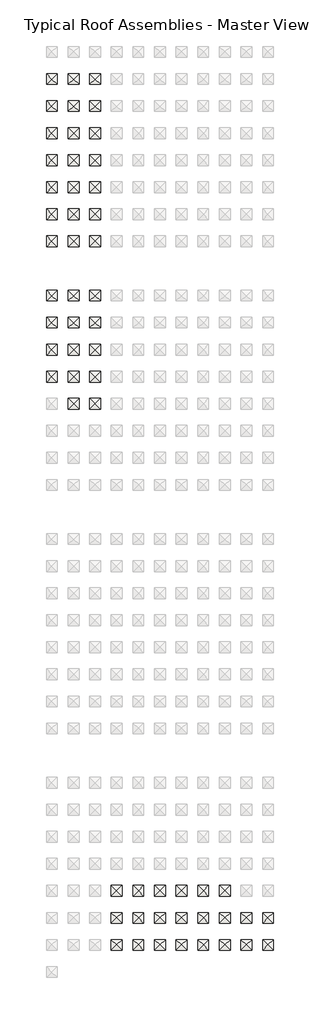
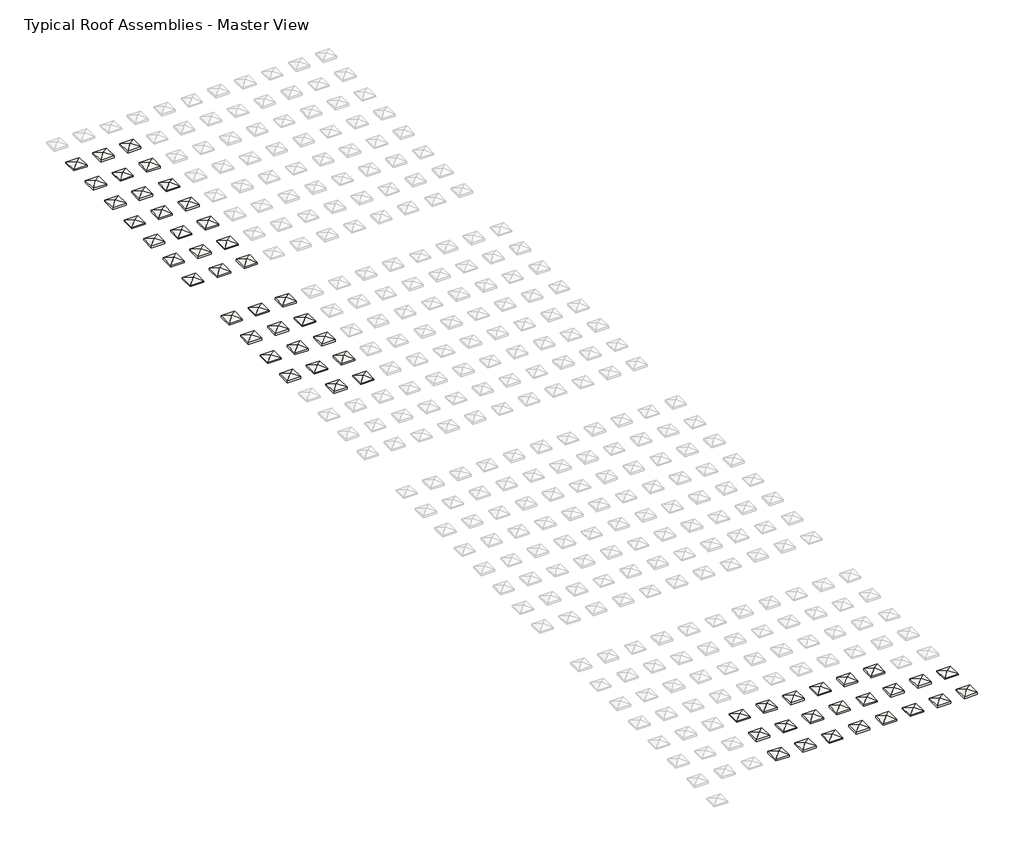
# One storey, part 2 of 6: 57 roofs.
"""IFC4 building model written with IfcOpenShell, lengths in millimetres."""

from ifc_helpers import new_model, si_unit, origin, place, context, project, spatial, faceted_brep, element, save

model = new_model("IFC4")

# Units and contexts
model_context = context("Model", 3, world=origin())
ifc_project = project(units=[si_unit("LENGTHUNIT", "METRE", prefix="MILLI")], contexts=[model_context])

# Site, building, storey
site = spatial("IfcSite", under=ifc_project)
building = spatial("IfcBuilding", under=site)
storey = spatial("IfcBuildingStorey", under=building, Name="Typical Roof Assemblies - Master View", Elevation=3048.0)

# Roofs
placement = place(None, origin())
element("IfcRoof", 1, at=placement, inside=storey, context=model_context, shape_type="Brep", body=[
    faceted_brep([(-18002.7271293, -204.4766531, 3556.0), (-16478.7271293, 1319.5233469, 3048.0), (-16478.7271293, -1728.4766531, 3048.0), (-19526.7271293, 1319.5233469, 3048.0), (-19526.7271293, -1728.4766531, 3048.0), (-16478.7271293, 1319.5233469, 3304.0928432), (-18002.7271293, -204.4766531, 3812.0928432), (-16478.7271293, -1728.4766531, 3304.0928432), (-19526.7271293, 1319.5233469, 3304.0928432), (-19526.7271293, -1728.4766531, 3304.0928432)], [[[0, 1, 2]], [[3, 0, 4]], [[1, 0, 3]], [[4, 0, 2]], [[5, 6, 7]], [[8, 9, 6]], [[5, 8, 6]], [[9, 7, 6]], [[3, 8, 5, 1]], [[4, 9, 8, 3]], [[2, 7, 9, 4]], [[1, 5, 7, 2]]]),
])
element("IfcRoof", 2, at=placement, inside=storey, context=model_context, shape_type="Brep", body=[
    faceted_brep([(-11906.7271293, -204.4766531, 3556.0), (-10382.7271293, 1319.5233469, 3048.0), (-10382.7271293, -1728.4766531, 3048.0), (-13430.7271293, 1319.5233469, 3048.0), (-13430.7271293, -1728.4766531, 3048.0), (-10382.7271293, 1319.5233469, 3479.7299585), (-11906.7271293, -204.4766531, 3987.7299585), (-10382.7271293, -1728.4766531, 3479.7299585), (-13430.7271293, 1319.5233469, 3479.7299585), (-13430.7271293, -1728.4766531, 3479.7299585)], [[[0, 1, 2]], [[3, 0, 4]], [[1, 0, 3]], [[4, 0, 2]], [[5, 6, 7]], [[8, 9, 6]], [[5, 8, 6]], [[9, 7, 6]], [[3, 8, 5, 1]], [[4, 9, 8, 3]], [[2, 7, 9, 4]], [[1, 5, 7, 2]]]),
])
element("IfcRoof", 3, at=placement, inside=storey, context=model_context, shape_type="Brep", body=[
    faceted_brep([(-5810.7271293, -204.4766531, 3556.0), (-4286.7271293, 1319.5233469, 3048.0), (-4286.7271293, -1728.4766531, 3048.0), (-7334.7271293, 1319.5233469, 3048.0), (-7334.7271293, -1728.4766531, 3048.0), (-4286.7271293, 1319.5233469, 3476.3832082), (-5810.7271293, -204.4766531, 3984.3832082), (-4286.7271293, -1728.4766531, 3476.3832082), (-7334.7271293, 1319.5233469, 3476.3832082), (-7334.7271293, -1728.4766531, 3476.3832082)], [[[0, 1, 2]], [[3, 0, 4]], [[1, 0, 3]], [[4, 0, 2]], [[5, 6, 7]], [[8, 9, 6]], [[5, 8, 6]], [[9, 7, 6]], [[3, 8, 5, 1]], [[4, 9, 8, 3]], [[2, 7, 9, 4]], [[1, 5, 7, 2]]]),
])
element("IfcRoof", 4, at=placement, inside=storey, context=model_context, shape_type="Brep", body=[
    faceted_brep([(-18002.7271293, -7824.4766531, 3556.0), (-16478.7271293, -6300.4766531, 3048.0), (-16478.7271293, -9348.4766531, 3048.0), (-19526.7271293, -6300.4766531, 3048.0), (-19526.7271293, -9348.4766531, 3048.0), (-16478.7271293, -6300.4766531, 3474.7767703), (-18002.7271293, -7824.4766531, 3982.7767703), (-16478.7271293, -9348.4766531, 3474.7767703), (-19526.7271293, -6300.4766531, 3474.7767703), (-19526.7271293, -9348.4766531, 3474.7767703)], [[[0, 1, 2]], [[3, 0, 4]], [[1, 0, 3]], [[4, 0, 2]], [[5, 6, 7]], [[8, 9, 6]], [[5, 8, 6]], [[9, 7, 6]], [[3, 8, 5, 1]], [[4, 9, 8, 3]], [[2, 7, 9, 4]], [[1, 5, 7, 2]]]),
])
element("IfcRoof", 5, at=placement, inside=storey, context=model_context, shape_type="Brep", body=[
    faceted_brep([(-11906.7271293, -7824.4766531, 3556.0), (-10382.7271293, -6300.4766531, 3048.0), (-10382.7271293, -9348.4766531, 3048.0), (-13430.7271293, -6300.4766531, 3048.0), (-13430.7271293, -9348.4766531, 3048.0), (-10382.7271293, -6300.4766531, 3304.0928432), (-11906.7271293, -7824.4766531, 3812.0928432), (-10382.7271293, -9348.4766531, 3304.0928432), (-13430.7271293, -6300.4766531, 3304.0928432), (-13430.7271293, -9348.4766531, 3304.0928432)], [[[0, 1, 2]], [[3, 0, 4]], [[1, 0, 3]], [[4, 0, 2]], [[5, 6, 7]], [[8, 9, 6]], [[5, 8, 6]], [[9, 7, 6]], [[3, 8, 5, 1]], [[4, 9, 8, 3]], [[2, 7, 9, 4]], [[1, 5, 7, 2]]]),
])
element("IfcRoof", 6, at=placement, inside=storey, context=model_context, shape_type="Brep", body=[
    faceted_brep([(-5810.7271293, -7824.4766531, 3556.0), (-4286.7271293, -6300.4766531, 3048.0), (-4286.7271293, -9348.4766531, 3048.0), (-7334.7271293, -6300.4766531, 3048.0), (-7334.7271293, -9348.4766531, 3048.0), (-4286.7271293, -6300.4766531, 3479.7299585), (-5810.7271293, -7824.4766531, 3987.7299585), (-4286.7271293, -9348.4766531, 3479.7299585), (-7334.7271293, -6300.4766531, 3479.7299585), (-7334.7271293, -9348.4766531, 3479.7299585)], [[[0, 1, 2]], [[3, 0, 4]], [[1, 0, 3]], [[4, 0, 2]], [[5, 6, 7]], [[8, 9, 6]], [[5, 8, 6]], [[9, 7, 6]], [[3, 8, 5, 1]], [[4, 9, 8, 3]], [[2, 7, 9, 4]], [[1, 5, 7, 2]]]),
])
element("IfcRoof", 7, at=placement, inside=storey, context=model_context, shape_type="Brep", body=[
    faceted_brep([(-18002.7271293, -15444.4766531, 3556.0), (-16478.7271293, -13920.4766531, 3048.0), (-16478.7271293, -16968.4766531, 3048.0), (-19526.7271293, -13920.4766531, 3048.0), (-19526.7271293, -16968.4766531, 3048.0), (-16478.7271293, -13920.4766531, 3478.1235205), (-18002.7271293, -15444.4766531, 3986.1235205), (-16478.7271293, -16968.4766531, 3478.1235205), (-19526.7271293, -13920.4766531, 3478.1235205), (-19526.7271293, -16968.4766531, 3478.1235205)], [[[0, 1, 2]], [[3, 0, 4]], [[1, 0, 3]], [[4, 0, 2]], [[5, 6, 7]], [[8, 9, 6]], [[5, 8, 6]], [[9, 7, 6]], [[3, 8, 5, 1]], [[4, 9, 8, 3]], [[2, 7, 9, 4]], [[1, 5, 7, 2]]]),
])
element("IfcRoof", 8, at=placement, inside=storey, context=model_context, shape_type="Brep", body=[
    faceted_brep([(-11906.7271293, -15444.4766531, 3556.0), (-10382.7271293, -13920.4766531, 3048.0), (-10382.7271293, -16968.4766531, 3048.0), (-13430.7271293, -13920.4766531, 3048.0), (-13430.7271293, -16968.4766531, 3048.0), (-10382.7271293, -13920.4766531, 3474.7767703), (-11906.7271293, -15444.4766531, 3982.7767703), (-10382.7271293, -16968.4766531, 3474.7767703), (-13430.7271293, -13920.4766531, 3474.7767703), (-13430.7271293, -16968.4766531, 3474.7767703)], [[[0, 1, 2]], [[3, 0, 4]], [[1, 0, 3]], [[4, 0, 2]], [[5, 6, 7]], [[8, 9, 6]], [[5, 8, 6]], [[9, 7, 6]], [[3, 8, 5, 1]], [[4, 9, 8, 3]], [[2, 7, 9, 4]], [[1, 5, 7, 2]]]),
])
element("IfcRoof", 9, at=placement, inside=storey, context=model_context, shape_type="Brep", body=[
    faceted_brep([(-5810.7271293, -15444.4766531, 3556.0), (-4286.7271293, -13920.4766531, 3048.0), (-4286.7271293, -16968.4766531, 3048.0), (-7334.7271293, -13920.4766531, 3048.0), (-7334.7271293, -16968.4766531, 3048.0), (-4286.7271293, -13920.4766531, 3304.0928432), (-5810.7271293, -15444.4766531, 3812.0928432), (-4286.7271293, -16968.4766531, 3304.0928432), (-7334.7271293, -13920.4766531, 3304.0928432), (-7334.7271293, -16968.4766531, 3304.0928432)], [[[0, 1, 2]], [[3, 0, 4]], [[1, 0, 3]], [[4, 0, 2]], [[5, 6, 7]], [[8, 9, 6]], [[5, 8, 6]], [[9, 7, 6]], [[3, 8, 5, 1]], [[4, 9, 8, 3]], [[2, 7, 9, 4]], [[1, 5, 7, 2]]]),
])
element("IfcRoof", 10, at=placement, inside=storey, context=model_context, shape_type="Brep", body=[
    faceted_brep([(-18002.7271293, -23064.4766531, 3556.0), (-16478.7271293, -21540.4766531, 3048.0), (-16478.7271293, -24588.4766531, 3048.0), (-19526.7271293, -21540.4766531, 3048.0), (-19526.7271293, -24588.4766531, 3048.0), (-16478.7271293, -21540.4766531, 3304.0928432), (-18002.7271293, -23064.4766531, 3812.0928432), (-16478.7271293, -24588.4766531, 3304.0928432), (-19526.7271293, -21540.4766531, 3304.0928432), (-19526.7271293, -24588.4766531, 3304.0928432)], [[[0, 1, 2]], [[3, 0, 4]], [[1, 0, 3]], [[4, 0, 2]], [[5, 6, 7]], [[8, 9, 6]], [[5, 8, 6]], [[9, 7, 6]], [[3, 8, 5, 1]], [[4, 9, 8, 3]], [[2, 7, 9, 4]], [[1, 5, 7, 2]]]),
])
element("IfcRoof", 11, at=placement, inside=storey, context=model_context, shape_type="Brep", body=[
    faceted_brep([(-11906.7271293, -23064.4766531, 3556.0), (-10382.7271293, -21540.4766531, 3048.0), (-10382.7271293, -24588.4766531, 3048.0), (-13430.7271293, -21540.4766531, 3048.0), (-13430.7271293, -24588.4766531, 3048.0), (-10382.7271293, -21540.4766531, 3478.1235205), (-11906.7271293, -23064.4766531, 3986.1235205), (-10382.7271293, -24588.4766531, 3478.1235205), (-13430.7271293, -21540.4766531, 3478.1235205), (-13430.7271293, -24588.4766531, 3478.1235205)], [[[0, 1, 2]], [[3, 0, 4]], [[1, 0, 3]], [[4, 0, 2]], [[5, 6, 7]], [[8, 9, 6]], [[5, 8, 6]], [[9, 7, 6]], [[3, 8, 5, 1]], [[4, 9, 8, 3]], [[2, 7, 9, 4]], [[1, 5, 7, 2]]]),
])
element("IfcRoof", 12, at=placement, inside=storey, context=model_context, shape_type="Brep", body=[
    faceted_brep([(-5810.7271293, -23064.4766531, 3556.0), (-4286.7271293, -21540.4766531, 3048.0), (-4286.7271293, -24588.4766531, 3048.0), (-7334.7271293, -21540.4766531, 3048.0), (-7334.7271293, -24588.4766531, 3048.0), (-4286.7271293, -21540.4766531, 3474.7767703), (-5810.7271293, -23064.4766531, 3982.7767703), (-4286.7271293, -24588.4766531, 3474.7767703), (-7334.7271293, -21540.4766531, 3474.7767703), (-7334.7271293, -24588.4766531, 3474.7767703)], [[[0, 1, 2]], [[3, 0, 4]], [[1, 0, 3]], [[4, 0, 2]], [[5, 6, 7]], [[8, 9, 6]], [[5, 8, 6]], [[9, 7, 6]], [[3, 8, 5, 1]], [[4, 9, 8, 3]], [[2, 7, 9, 4]], [[1, 5, 7, 2]]]),
])
element("IfcRoof", 13, at=placement, inside=storey, context=model_context, shape_type="Brep", body=[
    faceted_brep([(-18002.7271293, -30684.4766531, 3556.0), (-16478.7271293, -29160.4766531, 3048.0), (-16478.7271293, -32208.4766531, 3048.0), (-19526.7271293, -29160.4766531, 3048.0), (-19526.7271293, -32208.4766531, 3048.0), (-16478.7271293, -29160.4766531, 3476.3832082), (-18002.7271293, -30684.4766531, 3984.3832082), (-16478.7271293, -32208.4766531, 3476.3832082), (-19526.7271293, -29160.4766531, 3476.3832082), (-19526.7271293, -32208.4766531, 3476.3832082)], [[[0, 1, 2]], [[3, 0, 4]], [[1, 0, 3]], [[4, 0, 2]], [[5, 6, 7]], [[8, 9, 6]], [[5, 8, 6]], [[9, 7, 6]], [[3, 8, 5, 1]], [[4, 9, 8, 3]], [[2, 7, 9, 4]], [[1, 5, 7, 2]]]),
])
element("IfcRoof", 14, at=placement, inside=storey, context=model_context, shape_type="Brep", body=[
    faceted_brep([(-11906.7271293, -30684.4766531, 3556.0), (-10382.7271293, -29160.4766531, 3048.0), (-10382.7271293, -32208.4766531, 3048.0), (-13430.7271293, -29160.4766531, 3048.0), (-13430.7271293, -32208.4766531, 3048.0), (-10382.7271293, -29160.4766531, 3304.0928432), (-11906.7271293, -30684.4766531, 3812.0928432), (-10382.7271293, -32208.4766531, 3304.0928432), (-13430.7271293, -29160.4766531, 3304.0928432), (-13430.7271293, -32208.4766531, 3304.0928432)], [[[0, 1, 2]], [[3, 0, 4]], [[1, 0, 3]], [[4, 0, 2]], [[5, 6, 7]], [[8, 9, 6]], [[5, 8, 6]], [[9, 7, 6]], [[3, 8, 5, 1]], [[4, 9, 8, 3]], [[2, 7, 9, 4]], [[1, 5, 7, 2]]]),
])
element("IfcRoof", 15, at=placement, inside=storey, context=model_context, shape_type="Brep", body=[
    faceted_brep([(-5810.7271293, -30684.4766531, 3556.0), (-4286.7271293, -29160.4766531, 3048.0), (-4286.7271293, -32208.4766531, 3048.0), (-7334.7271293, -29160.4766531, 3048.0), (-7334.7271293, -32208.4766531, 3048.0), (-4286.7271293, -29160.4766531, 3478.1235205), (-5810.7271293, -30684.4766531, 3986.1235205), (-4286.7271293, -32208.4766531, 3478.1235205), (-7334.7271293, -29160.4766531, 3478.1235205), (-7334.7271293, -32208.4766531, 3478.1235205)], [[[0, 1, 2]], [[3, 0, 4]], [[1, 0, 3]], [[4, 0, 2]], [[5, 6, 7]], [[8, 9, 6]], [[5, 8, 6]], [[9, 7, 6]], [[3, 8, 5, 1]], [[4, 9, 8, 3]], [[2, 7, 9, 4]], [[1, 5, 7, 2]]]),
])
element("IfcRoof", 16, at=placement, inside=storey, context=model_context, shape_type="Brep", body=[
    faceted_brep([(-18002.7271293, -38304.4766531, 3556.0), (-16478.7271293, -36780.4766531, 3048.0), (-16478.7271293, -39828.4766531, 3048.0), (-19526.7271293, -36780.4766531, 3048.0), (-19526.7271293, -39828.4766531, 3048.0), (-16478.7271293, -36780.4766531, 3479.7299585), (-18002.7271293, -38304.4766531, 3987.7299585), (-16478.7271293, -39828.4766531, 3479.7299585), (-19526.7271293, -36780.4766531, 3479.7299585), (-19526.7271293, -39828.4766531, 3479.7299585)], [[[0, 1, 2]], [[3, 0, 4]], [[1, 0, 3]], [[4, 0, 2]], [[5, 6, 7]], [[8, 9, 6]], [[5, 8, 6]], [[9, 7, 6]], [[3, 8, 5, 1]], [[4, 9, 8, 3]], [[2, 7, 9, 4]], [[1, 5, 7, 2]]]),
])
element("IfcRoof", 17, at=placement, inside=storey, context=model_context, shape_type="Brep", body=[
    faceted_brep([(-11906.7271293, -38304.4766531, 3556.0), (-10382.7271293, -36780.4766531, 3048.0), (-10382.7271293, -39828.4766531, 3048.0), (-13430.7271293, -36780.4766531, 3048.0), (-13430.7271293, -39828.4766531, 3048.0), (-10382.7271293, -36780.4766531, 3476.3832082), (-11906.7271293, -38304.4766531, 3984.3832082), (-10382.7271293, -39828.4766531, 3476.3832082), (-13430.7271293, -36780.4766531, 3476.3832082), (-13430.7271293, -39828.4766531, 3476.3832082)], [[[0, 1, 2]], [[3, 0, 4]], [[1, 0, 3]], [[4, 0, 2]], [[5, 6, 7]], [[8, 9, 6]], [[5, 8, 6]], [[9, 7, 6]], [[3, 8, 5, 1]], [[4, 9, 8, 3]], [[2, 7, 9, 4]], [[1, 5, 7, 2]]]),
])
element("IfcRoof", 18, at=placement, inside=storey, context=model_context, shape_type="Brep", body=[
    faceted_brep([(-5810.7271293, -38304.4766531, 3556.0), (-4286.7271293, -36780.4766531, 3048.0), (-4286.7271293, -39828.4766531, 3048.0), (-7334.7271293, -36780.4766531, 3048.0), (-7334.7271293, -39828.4766531, 3048.0), (-4286.7271293, -36780.4766531, 3304.0928432), (-5810.7271293, -38304.4766531, 3812.0928432), (-4286.7271293, -39828.4766531, 3304.0928432), (-7334.7271293, -36780.4766531, 3304.0928432), (-7334.7271293, -39828.4766531, 3304.0928432)], [[[0, 1, 2]], [[3, 0, 4]], [[1, 0, 3]], [[4, 0, 2]], [[5, 6, 7]], [[8, 9, 6]], [[5, 8, 6]], [[9, 7, 6]], [[3, 8, 5, 1]], [[4, 9, 8, 3]], [[2, 7, 9, 4]], [[1, 5, 7, 2]]]),
])
element("IfcRoof", 19, at=placement, inside=storey, context=model_context, shape_type="Brep", body=[
    faceted_brep([(-18002.7271293, -45924.4766531, 3556.0), (-16478.7271293, -44400.4766531, 3048.0), (-16478.7271293, -47448.4766531, 3048.0), (-19526.7271293, -44400.4766531, 3048.0), (-19526.7271293, -47448.4766531, 3048.0), (-16478.7271293, -44400.4766531, 3304.0928432), (-18002.7271293, -45924.4766531, 3812.0928432), (-16478.7271293, -47448.4766531, 3304.0928432), (-19526.7271293, -44400.4766531, 3304.0928432), (-19526.7271293, -47448.4766531, 3304.0928432)], [[[0, 1, 2]], [[3, 0, 4]], [[1, 0, 3]], [[4, 0, 2]], [[5, 6, 7]], [[8, 9, 6]], [[5, 8, 6]], [[9, 7, 6]], [[3, 8, 5, 1]], [[4, 9, 8, 3]], [[2, 7, 9, 4]], [[1, 5, 7, 2]]]),
])
element("IfcRoof", 20, at=placement, inside=storey, context=model_context, shape_type="Brep", body=[
    faceted_brep([(-11906.7271293, -45924.4766531, 3556.0), (-10382.7271293, -44400.4766531, 3048.0), (-10382.7271293, -47448.4766531, 3048.0), (-13430.7271293, -44400.4766531, 3048.0), (-13430.7271293, -47448.4766531, 3048.0), (-10382.7271293, -44400.4766531, 3479.7299585), (-11906.7271293, -45924.4766531, 3987.7299585), (-10382.7271293, -47448.4766531, 3479.7299585), (-13430.7271293, -44400.4766531, 3479.7299585), (-13430.7271293, -47448.4766531, 3479.7299585)], [[[0, 1, 2]], [[3, 0, 4]], [[1, 0, 3]], [[4, 0, 2]], [[5, 6, 7]], [[8, 9, 6]], [[5, 8, 6]], [[9, 7, 6]], [[3, 8, 5, 1]], [[4, 9, 8, 3]], [[2, 7, 9, 4]], [[1, 5, 7, 2]]]),
])
element("IfcRoof", 21, at=placement, inside=storey, context=model_context, shape_type="Brep", body=[
    faceted_brep([(-5810.7271293, -45924.4766531, 3556.0), (-4286.7271293, -44400.4766531, 3048.0), (-4286.7271293, -47448.4766531, 3048.0), (-7334.7271293, -44400.4766531, 3048.0), (-7334.7271293, -47448.4766531, 3048.0), (-4286.7271293, -44400.4766531, 3476.3832082), (-5810.7271293, -45924.4766531, 3984.3832082), (-4286.7271293, -47448.4766531, 3476.3832082), (-7334.7271293, -44400.4766531, 3476.3832082), (-7334.7271293, -47448.4766531, 3476.3832082)], [[[0, 1, 2]], [[3, 0, 4]], [[1, 0, 3]], [[4, 0, 2]], [[5, 6, 7]], [[8, 9, 6]], [[5, 8, 6]], [[9, 7, 6]], [[3, 8, 5, 1]], [[4, 9, 8, 3]], [[2, 7, 9, 4]], [[1, 5, 7, 2]]]),
])
element("IfcRoof", 22, at=placement, inside=storey, context=model_context, shape_type="Brep", body=[
    faceted_brep([(-18002.7271293, -61164.4766531, 3556.0), (-16478.7271293, -59640.4766531, 3048.0), (-16478.7271293, -62688.4766531, 3048.0), (-19526.7271293, -59640.4766531, 3048.0), (-19526.7271293, -62688.4766531, 3048.0), (-16478.7271293, -59640.4766531, 3474.7767703), (-18002.7271293, -61164.4766531, 3982.7767703), (-16478.7271293, -62688.4766531, 3474.7767703), (-19526.7271293, -59640.4766531, 3474.7767703), (-19526.7271293, -62688.4766531, 3474.7767703)], [[[0, 1, 2]], [[3, 0, 4]], [[1, 0, 3]], [[4, 0, 2]], [[5, 6, 7]], [[8, 9, 6]], [[5, 8, 6]], [[9, 7, 6]], [[3, 8, 5, 1]], [[4, 9, 8, 3]], [[2, 7, 9, 4]], [[1, 5, 7, 2]]]),
])
element("IfcRoof", 23, at=placement, inside=storey, context=model_context, shape_type="Brep", body=[
    faceted_brep([(-11906.7271293, -61164.4766531, 3556.0), (-10382.7271293, -59640.4766531, 3048.0), (-10382.7271293, -62688.4766531, 3048.0), (-13430.7271293, -59640.4766531, 3048.0), (-13430.7271293, -62688.4766531, 3048.0), (-10382.7271293, -59640.4766531, 3304.0928432), (-11906.7271293, -61164.4766531, 3812.0928432), (-10382.7271293, -62688.4766531, 3304.0928432), (-13430.7271293, -59640.4766531, 3304.0928432), (-13430.7271293, -62688.4766531, 3304.0928432)], [[[0, 1, 2]], [[3, 0, 4]], [[1, 0, 3]], [[4, 0, 2]], [[5, 6, 7]], [[8, 9, 6]], [[5, 8, 6]], [[9, 7, 6]], [[3, 8, 5, 1]], [[4, 9, 8, 3]], [[2, 7, 9, 4]], [[1, 5, 7, 2]]]),
])
element("IfcRoof", 24, at=placement, inside=storey, context=model_context, shape_type="Brep", body=[
    faceted_brep([(-5810.7271293, -61164.4766531, 3556.0), (-4286.7271293, -59640.4766531, 3048.0), (-4286.7271293, -62688.4766531, 3048.0), (-7334.7271293, -59640.4766531, 3048.0), (-7334.7271293, -62688.4766531, 3048.0), (-4286.7271293, -59640.4766531, 3479.7299585), (-5810.7271293, -61164.4766531, 3987.7299585), (-4286.7271293, -62688.4766531, 3479.7299585), (-7334.7271293, -59640.4766531, 3479.7299585), (-7334.7271293, -62688.4766531, 3479.7299585)], [[[0, 1, 2]], [[3, 0, 4]], [[1, 0, 3]], [[4, 0, 2]], [[5, 6, 7]], [[8, 9, 6]], [[5, 8, 6]], [[9, 7, 6]], [[3, 8, 5, 1]], [[4, 9, 8, 3]], [[2, 7, 9, 4]], [[1, 5, 7, 2]]]),
])
element("IfcRoof", 25, at=placement, inside=storey, context=model_context, shape_type="Brep", body=[
    faceted_brep([(-18002.7271293, -68784.4766531, 3556.0), (-16478.7271293, -67260.4766531, 3048.0), (-16478.7271293, -70308.4766531, 3048.0), (-19526.7271293, -67260.4766531, 3048.0), (-19526.7271293, -70308.4766531, 3048.0), (-16478.7271293, -67260.4766531, 3478.1235205), (-18002.7271293, -68784.4766531, 3986.1235205), (-16478.7271293, -70308.4766531, 3478.1235205), (-19526.7271293, -67260.4766531, 3478.1235205), (-19526.7271293, -70308.4766531, 3478.1235205)], [[[0, 1, 2]], [[3, 0, 4]], [[1, 0, 3]], [[4, 0, 2]], [[5, 6, 7]], [[8, 9, 6]], [[5, 8, 6]], [[9, 7, 6]], [[3, 8, 5, 1]], [[4, 9, 8, 3]], [[2, 7, 9, 4]], [[1, 5, 7, 2]]]),
])
element("IfcRoof", 26, at=placement, inside=storey, context=model_context, shape_type="Brep", body=[
    faceted_brep([(-11906.7271293, -68784.4766531, 3556.0), (-10382.7271293, -67260.4766531, 3048.0), (-10382.7271293, -70308.4766531, 3048.0), (-13430.7271293, -67260.4766531, 3048.0), (-13430.7271293, -70308.4766531, 3048.0), (-10382.7271293, -67260.4766531, 3474.7767703), (-11906.7271293, -68784.4766531, 3982.7767703), (-10382.7271293, -70308.4766531, 3474.7767703), (-13430.7271293, -67260.4766531, 3474.7767703), (-13430.7271293, -70308.4766531, 3474.7767703)], [[[0, 1, 2]], [[3, 0, 4]], [[1, 0, 3]], [[4, 0, 2]], [[5, 6, 7]], [[8, 9, 6]], [[5, 8, 6]], [[9, 7, 6]], [[3, 8, 5, 1]], [[4, 9, 8, 3]], [[2, 7, 9, 4]], [[1, 5, 7, 2]]]),
])
element("IfcRoof", 27, at=placement, inside=storey, context=model_context, shape_type="Brep", body=[
    faceted_brep([(-5810.7271293, -68784.4766531, 3556.0), (-4286.7271293, -67260.4766531, 3048.0), (-4286.7271293, -70308.4766531, 3048.0), (-7334.7271293, -67260.4766531, 3048.0), (-7334.7271293, -70308.4766531, 3048.0), (-4286.7271293, -67260.4766531, 3304.0928432), (-5810.7271293, -68784.4766531, 3812.0928432), (-4286.7271293, -70308.4766531, 3304.0928432), (-7334.7271293, -67260.4766531, 3304.0928432), (-7334.7271293, -70308.4766531, 3304.0928432)], [[[0, 1, 2]], [[3, 0, 4]], [[1, 0, 3]], [[4, 0, 2]], [[5, 6, 7]], [[8, 9, 6]], [[5, 8, 6]], [[9, 7, 6]], [[3, 8, 5, 1]], [[4, 9, 8, 3]], [[2, 7, 9, 4]], [[1, 5, 7, 2]]]),
])
element("IfcRoof", 28, at=placement, inside=storey, context=model_context, shape_type="Brep", body=[
    faceted_brep([(-18002.7271293, -76404.4766531, 3556.0), (-16478.7271293, -74880.4766531, 3048.0), (-16478.7271293, -77928.4766531, 3048.0), (-19526.7271293, -74880.4766531, 3048.0), (-19526.7271293, -77928.4766531, 3048.0), (-16478.7271293, -74880.4766531, 3304.0928432), (-18002.7271293, -76404.4766531, 3812.0928432), (-16478.7271293, -77928.4766531, 3304.0928432), (-19526.7271293, -74880.4766531, 3304.0928432), (-19526.7271293, -77928.4766531, 3304.0928432)], [[[0, 1, 2]], [[3, 0, 4]], [[1, 0, 3]], [[4, 0, 2]], [[5, 6, 7]], [[8, 9, 6]], [[5, 8, 6]], [[9, 7, 6]], [[3, 8, 5, 1]], [[4, 9, 8, 3]], [[2, 7, 9, 4]], [[1, 5, 7, 2]]]),
])
element("IfcRoof", 29, at=placement, inside=storey, context=model_context, shape_type="Brep", body=[
    faceted_brep([(-11906.7271293, -76404.4766531, 3556.0), (-10382.7271293, -74880.4766531, 3048.0), (-10382.7271293, -77928.4766531, 3048.0), (-13430.7271293, -74880.4766531, 3048.0), (-13430.7271293, -77928.4766531, 3048.0), (-10382.7271293, -74880.4766531, 3478.1235205), (-11906.7271293, -76404.4766531, 3986.1235205), (-10382.7271293, -77928.4766531, 3478.1235205), (-13430.7271293, -74880.4766531, 3478.1235205), (-13430.7271293, -77928.4766531, 3478.1235205)], [[[0, 1, 2]], [[3, 0, 4]], [[1, 0, 3]], [[4, 0, 2]], [[5, 6, 7]], [[8, 9, 6]], [[5, 8, 6]], [[9, 7, 6]], [[3, 8, 5, 1]], [[4, 9, 8, 3]], [[2, 7, 9, 4]], [[1, 5, 7, 2]]]),
])
element("IfcRoof", 30, at=placement, inside=storey, context=model_context, shape_type="Brep", body=[
    faceted_brep([(-5810.7271293, -76404.4766531, 3556.0), (-4286.7271293, -74880.4766531, 3048.0), (-4286.7271293, -77928.4766531, 3048.0), (-7334.7271293, -74880.4766531, 3048.0), (-7334.7271293, -77928.4766531, 3048.0), (-4286.7271293, -74880.4766531, 3474.7767703), (-5810.7271293, -76404.4766531, 3982.7767703), (-4286.7271293, -77928.4766531, 3474.7767703), (-7334.7271293, -74880.4766531, 3474.7767703), (-7334.7271293, -77928.4766531, 3474.7767703)], [[[0, 1, 2]], [[3, 0, 4]], [[1, 0, 3]], [[4, 0, 2]], [[5, 6, 7]], [[8, 9, 6]], [[5, 8, 6]], [[9, 7, 6]], [[3, 8, 5, 1]], [[4, 9, 8, 3]], [[2, 7, 9, 4]], [[1, 5, 7, 2]]]),
])
element("IfcRoof", 31, at=placement, inside=storey, context=model_context, shape_type="Brep", body=[
    faceted_brep([(-18002.7271293, -84024.4766531, 3556.0), (-16478.7271293, -82500.4766531, 3048.0), (-16478.7271293, -85548.4766531, 3048.0), (-19526.7271293, -82500.4766531, 3048.0), (-19526.7271293, -85548.4766531, 3048.0), (-16478.7271293, -82500.4766531, 3476.3832082), (-18002.7271293, -84024.4766531, 3984.3832082), (-16478.7271293, -85548.4766531, 3476.3832082), (-19526.7271293, -82500.4766531, 3476.3832082), (-19526.7271293, -85548.4766531, 3476.3832082)], [[[0, 1, 2]], [[3, 0, 4]], [[1, 0, 3]], [[4, 0, 2]], [[5, 6, 7]], [[8, 9, 6]], [[5, 8, 6]], [[9, 7, 6]], [[3, 8, 5, 1]], [[4, 9, 8, 3]], [[2, 7, 9, 4]], [[1, 5, 7, 2]]]),
])
element("IfcRoof", 32, at=placement, inside=storey, context=model_context, shape_type="Brep", body=[
    faceted_brep([(-11906.7271293, -84024.4766531, 3556.0), (-10382.7271293, -82500.4766531, 3048.0), (-10382.7271293, -85548.4766531, 3048.0), (-13430.7271293, -82500.4766531, 3048.0), (-13430.7271293, -85548.4766531, 3048.0), (-10382.7271293, -82500.4766531, 3304.0928432), (-11906.7271293, -84024.4766531, 3812.0928432), (-10382.7271293, -85548.4766531, 3304.0928432), (-13430.7271293, -82500.4766531, 3304.0928432), (-13430.7271293, -85548.4766531, 3304.0928432)], [[[0, 1, 2]], [[3, 0, 4]], [[1, 0, 3]], [[4, 0, 2]], [[5, 6, 7]], [[8, 9, 6]], [[5, 8, 6]], [[9, 7, 6]], [[3, 8, 5, 1]], [[4, 9, 8, 3]], [[2, 7, 9, 4]], [[1, 5, 7, 2]]]),
])
element("IfcRoof", 33, at=placement, inside=storey, context=model_context, shape_type="Brep", body=[
    faceted_brep([(-5810.7271293, -84024.4766531, 3556.0), (-4286.7271293, -82500.4766531, 3048.0), (-4286.7271293, -85548.4766531, 3048.0), (-7334.7271293, -82500.4766531, 3048.0), (-7334.7271293, -85548.4766531, 3048.0), (-4286.7271293, -82500.4766531, 3478.1235205), (-5810.7271293, -84024.4766531, 3986.1235205), (-4286.7271293, -85548.4766531, 3478.1235205), (-7334.7271293, -82500.4766531, 3478.1235205), (-7334.7271293, -85548.4766531, 3478.1235205)], [[[0, 1, 2]], [[3, 0, 4]], [[1, 0, 3]], [[4, 0, 2]], [[5, 6, 7]], [[8, 9, 6]], [[5, 8, 6]], [[9, 7, 6]], [[3, 8, 5, 1]], [[4, 9, 8, 3]], [[2, 7, 9, 4]], [[1, 5, 7, 2]]]),
])
element("IfcRoof", 34, at=placement, inside=storey, context=model_context, shape_type="Brep", body=[
    faceted_brep([(-11906.7271293, -91644.4766531, 3556.0), (-10382.7271293, -90120.4766531, 3048.0), (-10382.7271293, -93168.4766531, 3048.0), (-13430.7271293, -90120.4766531, 3048.0), (-13430.7271293, -93168.4766531, 3048.0), (-10382.7271293, -90120.4766531, 3476.3832082), (-11906.7271293, -91644.4766531, 3984.3832082), (-10382.7271293, -93168.4766531, 3476.3832082), (-13430.7271293, -90120.4766531, 3476.3832082), (-13430.7271293, -93168.4766531, 3476.3832082)], [[[0, 1, 2]], [[3, 0, 4]], [[1, 0, 3]], [[4, 0, 2]], [[5, 6, 7]], [[8, 9, 6]], [[5, 8, 6]], [[9, 7, 6]], [[3, 8, 5, 1]], [[4, 9, 8, 3]], [[2, 7, 9, 4]], [[1, 5, 7, 2]]]),
])
element("IfcRoof", 35, at=placement, inside=storey, context=model_context, shape_type="Brep", body=[
    faceted_brep([(-5810.7271293, -91644.4766531, 3556.0), (-4286.7271293, -90120.4766531, 3048.0), (-4286.7271293, -93168.4766531, 3048.0), (-7334.7271293, -90120.4766531, 3048.0), (-7334.7271293, -93168.4766531, 3048.0), (-4286.7271293, -90120.4766531, 3304.0928432), (-5810.7271293, -91644.4766531, 3812.0928432), (-4286.7271293, -93168.4766531, 3304.0928432), (-7334.7271293, -90120.4766531, 3304.0928432), (-7334.7271293, -93168.4766531, 3304.0928432)], [[[0, 1, 2]], [[3, 0, 4]], [[1, 0, 3]], [[4, 0, 2]], [[5, 6, 7]], [[8, 9, 6]], [[5, 8, 6]], [[9, 7, 6]], [[3, 8, 5, 1]], [[4, 9, 8, 3]], [[2, 7, 9, 4]], [[1, 5, 7, 2]]]),
])
element("IfcRoof", 36, at=placement, inside=storey, context=model_context, shape_type="Brep", body=[
    faceted_brep([(285.2728707, -228804.4766531, 3556.0), (1809.2728707, -227280.4766531, 3048.0), (1809.2728707, -230328.4766531, 3048.0), (-1238.7271293, -227280.4766531, 3048.0), (-1238.7271293, -230328.4766531, 3048.0), (1809.2728707, -227280.4766531, 3304.0928432), (285.2728707, -228804.4766531, 3812.0928432), (1809.2728707, -230328.4766531, 3304.0928432), (-1238.7271293, -227280.4766531, 3304.0928432), (-1238.7271293, -230328.4766531, 3304.0928432)], [[[0, 1, 2]], [[3, 0, 4]], [[1, 0, 3]], [[4, 0, 2]], [[5, 6, 7]], [[8, 9, 6]], [[5, 8, 6]], [[9, 7, 6]], [[3, 8, 5, 1]], [[4, 9, 8, 3]], [[2, 7, 9, 4]], [[1, 5, 7, 2]]]),
])
element("IfcRoof", 37, at=placement, inside=storey, context=model_context, shape_type="Brep", body=[
    faceted_brep([(6381.2728707, -228804.4766531, 3556.0), (7905.2728707, -227280.4766531, 3048.0), (7905.2728707, -230328.4766531, 3048.0), (4857.2728707, -227280.4766531, 3048.0), (4857.2728707, -230328.4766531, 3048.0), (7905.2728707, -227280.4766531, 3479.7299585), (6381.2728707, -228804.4766531, 3987.7299585), (7905.2728707, -230328.4766531, 3479.7299585), (4857.2728707, -227280.4766531, 3479.7299585), (4857.2728707, -230328.4766531, 3479.7299585)], [[[0, 1, 2]], [[3, 0, 4]], [[1, 0, 3]], [[4, 0, 2]], [[5, 6, 7]], [[8, 9, 6]], [[5, 8, 6]], [[9, 7, 6]], [[3, 8, 5, 1]], [[4, 9, 8, 3]], [[2, 7, 9, 4]], [[1, 5, 7, 2]]]),
])
element("IfcRoof", 38, at=placement, inside=storey, context=model_context, shape_type="Brep", body=[
    faceted_brep([(12477.2728707, -228804.4766531, 3556.0), (14001.2728707, -227280.4766531, 3048.0), (14001.2728707, -230328.4766531, 3048.0), (10953.2728707, -227280.4766531, 3048.0), (10953.2728707, -230328.4766531, 3048.0), (14001.2728707, -227280.4766531, 3476.3832082), (12477.2728707, -228804.4766531, 3984.3832082), (14001.2728707, -230328.4766531, 3476.3832082), (10953.2728707, -227280.4766531, 3476.3832082), (10953.2728707, -230328.4766531, 3476.3832082)], [[[0, 1, 2]], [[3, 0, 4]], [[1, 0, 3]], [[4, 0, 2]], [[5, 6, 7]], [[8, 9, 6]], [[5, 8, 6]], [[9, 7, 6]], [[3, 8, 5, 1]], [[4, 9, 8, 3]], [[2, 7, 9, 4]], [[1, 5, 7, 2]]]),
])
element("IfcRoof", 39, at=placement, inside=storey, context=model_context, shape_type="Brep", body=[
    faceted_brep([(18573.2728707, -228804.4766531, 3556.0), (20097.2728707, -227280.4766531, 3048.0), (20097.2728707, -230328.4766531, 3048.0), (17049.2728707, -227280.4766531, 3048.0), (17049.2728707, -230328.4766531, 3048.0), (20097.2728707, -227280.4766531, 3304.0928432), (18573.2728707, -228804.4766531, 3812.0928432), (20097.2728707, -230328.4766531, 3304.0928432), (17049.2728707, -227280.4766531, 3304.0928432), (17049.2728707, -230328.4766531, 3304.0928432)], [[[0, 1, 2]], [[3, 0, 4]], [[1, 0, 3]], [[4, 0, 2]], [[5, 6, 7]], [[8, 9, 6]], [[5, 8, 6]], [[9, 7, 6]], [[3, 8, 5, 1]], [[4, 9, 8, 3]], [[2, 7, 9, 4]], [[1, 5, 7, 2]]]),
])
element("IfcRoof", 40, at=placement, inside=storey, context=model_context, shape_type="Brep", body=[
    faceted_brep([(24669.2728707, -228804.4766531, 3556.0), (26193.2728707, -227280.4766531, 3048.0), (26193.2728707, -230328.4766531, 3048.0), (23145.2728707, -227280.4766531, 3048.0), (23145.2728707, -230328.4766531, 3048.0), (26193.2728707, -227280.4766531, 3478.1235205), (24669.2728707, -228804.4766531, 3986.1235205), (26193.2728707, -230328.4766531, 3478.1235205), (23145.2728707, -227280.4766531, 3478.1235205), (23145.2728707, -230328.4766531, 3478.1235205)], [[[0, 1, 2]], [[3, 0, 4]], [[1, 0, 3]], [[4, 0, 2]], [[5, 6, 7]], [[8, 9, 6]], [[5, 8, 6]], [[9, 7, 6]], [[3, 8, 5, 1]], [[4, 9, 8, 3]], [[2, 7, 9, 4]], [[1, 5, 7, 2]]]),
])
element("IfcRoof", 41, at=placement, inside=storey, context=model_context, shape_type="Brep", body=[
    faceted_brep([(30765.2728707, -228804.4766531, 3556.0), (32289.2728707, -227280.4766531, 3048.0), (32289.2728707, -230328.4766531, 3048.0), (29241.2728707, -227280.4766531, 3048.0), (29241.2728707, -230328.4766531, 3048.0), (32289.2728707, -227280.4766531, 3474.7767703), (30765.2728707, -228804.4766531, 3982.7767703), (32289.2728707, -230328.4766531, 3474.7767703), (29241.2728707, -227280.4766531, 3474.7767703), (29241.2728707, -230328.4766531, 3474.7767703)], [[[0, 1, 2]], [[3, 0, 4]], [[1, 0, 3]], [[4, 0, 2]], [[5, 6, 7]], [[8, 9, 6]], [[5, 8, 6]], [[9, 7, 6]], [[3, 8, 5, 1]], [[4, 9, 8, 3]], [[2, 7, 9, 4]], [[1, 5, 7, 2]]]),
])
element("IfcRoof", 42, at=placement, inside=storey, context=model_context, shape_type="Brep", body=[
    faceted_brep([(285.2728707, -236424.4766531, 3556.0), (1809.2728707, -234900.4766531, 3048.0), (1809.2728707, -237948.4766531, 3048.0), (-1238.7271293, -234900.4766531, 3048.0), (-1238.7271293, -237948.4766531, 3048.0), (1809.2728707, -234900.4766531, 3474.7767703), (285.2728707, -236424.4766531, 3982.7767703), (1809.2728707, -237948.4766531, 3474.7767703), (-1238.7271293, -234900.4766531, 3474.7767703), (-1238.7271293, -237948.4766531, 3474.7767703)], [[[0, 1, 2]], [[3, 0, 4]], [[1, 0, 3]], [[4, 0, 2]], [[5, 6, 7]], [[8, 9, 6]], [[5, 8, 6]], [[9, 7, 6]], [[3, 8, 5, 1]], [[4, 9, 8, 3]], [[2, 7, 9, 4]], [[1, 5, 7, 2]]]),
])
element("IfcRoof", 43, at=placement, inside=storey, context=model_context, shape_type="Brep", body=[
    faceted_brep([(6381.2728707, -236424.4766531, 3556.0), (7905.2728707, -234900.4766531, 3048.0), (7905.2728707, -237948.4766531, 3048.0), (4857.2728707, -234900.4766531, 3048.0), (4857.2728707, -237948.4766531, 3048.0), (7905.2728707, -234900.4766531, 3304.0928432), (6381.2728707, -236424.4766531, 3812.0928432), (7905.2728707, -237948.4766531, 3304.0928432), (4857.2728707, -234900.4766531, 3304.0928432), (4857.2728707, -237948.4766531, 3304.0928432)], [[[0, 1, 2]], [[3, 0, 4]], [[1, 0, 3]], [[4, 0, 2]], [[5, 6, 7]], [[8, 9, 6]], [[5, 8, 6]], [[9, 7, 6]], [[3, 8, 5, 1]], [[4, 9, 8, 3]], [[2, 7, 9, 4]], [[1, 5, 7, 2]]]),
])
element("IfcRoof", 44, at=placement, inside=storey, context=model_context, shape_type="Brep", body=[
    faceted_brep([(12477.2728707, -236424.4766531, 3556.0), (14001.2728707, -234900.4766531, 3048.0), (14001.2728707, -237948.4766531, 3048.0), (10953.2728707, -234900.4766531, 3048.0), (10953.2728707, -237948.4766531, 3048.0), (14001.2728707, -234900.4766531, 3479.7299585), (12477.2728707, -236424.4766531, 3987.7299585), (14001.2728707, -237948.4766531, 3479.7299585), (10953.2728707, -234900.4766531, 3479.7299585), (10953.2728707, -237948.4766531, 3479.7299585)], [[[0, 1, 2]], [[3, 0, 4]], [[1, 0, 3]], [[4, 0, 2]], [[5, 6, 7]], [[8, 9, 6]], [[5, 8, 6]], [[9, 7, 6]], [[3, 8, 5, 1]], [[4, 9, 8, 3]], [[2, 7, 9, 4]], [[1, 5, 7, 2]]]),
])
element("IfcRoof", 45, at=placement, inside=storey, context=model_context, shape_type="Brep", body=[
    faceted_brep([(18573.2728707, -236424.4766531, 3556.0), (20097.2728707, -234900.4766531, 3048.0), (20097.2728707, -237948.4766531, 3048.0), (17049.2728707, -234900.4766531, 3048.0), (17049.2728707, -237948.4766531, 3048.0), (20097.2728707, -234900.4766531, 3476.3832082), (18573.2728707, -236424.4766531, 3984.3832082), (20097.2728707, -237948.4766531, 3476.3832082), (17049.2728707, -234900.4766531, 3476.3832082), (17049.2728707, -237948.4766531, 3476.3832082)], [[[0, 1, 2]], [[3, 0, 4]], [[1, 0, 3]], [[4, 0, 2]], [[5, 6, 7]], [[8, 9, 6]], [[5, 8, 6]], [[9, 7, 6]], [[3, 8, 5, 1]], [[4, 9, 8, 3]], [[2, 7, 9, 4]], [[1, 5, 7, 2]]]),
])
element("IfcRoof", 46, at=placement, inside=storey, context=model_context, shape_type="Brep", body=[
    faceted_brep([(24669.2728707, -236424.4766531, 3556.0), (26193.2728707, -234900.4766531, 3048.0), (26193.2728707, -237948.4766531, 3048.0), (23145.2728707, -234900.4766531, 3048.0), (23145.2728707, -237948.4766531, 3048.0), (26193.2728707, -234900.4766531, 3304.0928432), (24669.2728707, -236424.4766531, 3812.0928432), (26193.2728707, -237948.4766531, 3304.0928432), (23145.2728707, -234900.4766531, 3304.0928432), (23145.2728707, -237948.4766531, 3304.0928432)], [[[0, 1, 2]], [[3, 0, 4]], [[1, 0, 3]], [[4, 0, 2]], [[5, 6, 7]], [[8, 9, 6]], [[5, 8, 6]], [[9, 7, 6]], [[3, 8, 5, 1]], [[4, 9, 8, 3]], [[2, 7, 9, 4]], [[1, 5, 7, 2]]]),
])
element("IfcRoof", 47, at=placement, inside=storey, context=model_context, shape_type="Brep", body=[
    faceted_brep([(30765.2728707, -236424.4766531, 3556.0), (32289.2728707, -234900.4766531, 3048.0), (32289.2728707, -237948.4766531, 3048.0), (29241.2728707, -234900.4766531, 3048.0), (29241.2728707, -237948.4766531, 3048.0), (32289.2728707, -234900.4766531, 3478.1235205), (30765.2728707, -236424.4766531, 3986.1235205), (32289.2728707, -237948.4766531, 3478.1235205), (29241.2728707, -234900.4766531, 3478.1235205), (29241.2728707, -237948.4766531, 3478.1235205)], [[[0, 1, 2]], [[3, 0, 4]], [[1, 0, 3]], [[4, 0, 2]], [[5, 6, 7]], [[8, 9, 6]], [[5, 8, 6]], [[9, 7, 6]], [[3, 8, 5, 1]], [[4, 9, 8, 3]], [[2, 7, 9, 4]], [[1, 5, 7, 2]]]),
])
element("IfcRoof", 48, at=placement, inside=storey, context=model_context, shape_type="Brep", body=[
    faceted_brep([(36861.2728707, -236424.4766531, 3556.0), (38385.2728707, -234900.4766531, 3048.0), (38385.2728707, -237948.4766531, 3048.0), (35337.2728707, -234900.4766531, 3048.0), (35337.2728707, -237948.4766531, 3048.0), (38385.2728707, -234900.4766531, 3474.7767703), (36861.2728707, -236424.4766531, 3982.7767703), (38385.2728707, -237948.4766531, 3474.7767703), (35337.2728707, -234900.4766531, 3474.7767703), (35337.2728707, -237948.4766531, 3474.7767703)], [[[0, 1, 2]], [[3, 0, 4]], [[1, 0, 3]], [[4, 0, 2]], [[5, 6, 7]], [[8, 9, 6]], [[5, 8, 6]], [[9, 7, 6]], [[3, 8, 5, 1]], [[4, 9, 8, 3]], [[2, 7, 9, 4]], [[1, 5, 7, 2]]]),
])
element("IfcRoof", 49, at=placement, inside=storey, context=model_context, shape_type="Brep", body=[
    faceted_brep([(42957.2728707, -236424.4766531, 3556.0), (44481.2728707, -234900.4766531, 3048.0), (44481.2728707, -237948.4766531, 3048.0), (41433.2728707, -234900.4766531, 3048.0), (41433.2728707, -237948.4766531, 3048.0), (44481.2728707, -234900.4766531, 3304.0928432), (42957.2728707, -236424.4766531, 3812.0928432), (44481.2728707, -237948.4766531, 3304.0928432), (41433.2728707, -234900.4766531, 3304.0928432), (41433.2728707, -237948.4766531, 3304.0928432)], [[[0, 1, 2]], [[3, 0, 4]], [[1, 0, 3]], [[4, 0, 2]], [[5, 6, 7]], [[8, 9, 6]], [[5, 8, 6]], [[9, 7, 6]], [[3, 8, 5, 1]], [[4, 9, 8, 3]], [[2, 7, 9, 4]], [[1, 5, 7, 2]]]),
])
element("IfcRoof", 50, at=placement, inside=storey, context=model_context, shape_type="Brep", body=[
    faceted_brep([(285.2728707, -244044.4766531, 3556.0), (1809.2728707, -242520.4766531, 3048.0), (1809.2728707, -245568.4766531, 3048.0), (-1238.7271293, -242520.4766531, 3048.0), (-1238.7271293, -245568.4766531, 3048.0), (1809.2728707, -242520.4766531, 3478.1235205), (285.2728707, -244044.4766531, 3986.1235205), (1809.2728707, -245568.4766531, 3478.1235205), (-1238.7271293, -242520.4766531, 3478.1235205), (-1238.7271293, -245568.4766531, 3478.1235205)], [[[0, 1, 2]], [[3, 0, 4]], [[1, 0, 3]], [[4, 0, 2]], [[5, 6, 7]], [[8, 9, 6]], [[5, 8, 6]], [[9, 7, 6]], [[3, 8, 5, 1]], [[4, 9, 8, 3]], [[2, 7, 9, 4]], [[1, 5, 7, 2]]]),
])
element("IfcRoof", 51, at=placement, inside=storey, context=model_context, shape_type="Brep", body=[
    faceted_brep([(6381.2728707, -244044.4766531, 3556.0), (7905.2728707, -242520.4766531, 3048.0), (7905.2728707, -245568.4766531, 3048.0), (4857.2728707, -242520.4766531, 3048.0), (4857.2728707, -245568.4766531, 3048.0), (7905.2728707, -242520.4766531, 3474.7767703), (6381.2728707, -244044.4766531, 3982.7767703), (7905.2728707, -245568.4766531, 3474.7767703), (4857.2728707, -242520.4766531, 3474.7767703), (4857.2728707, -245568.4766531, 3474.7767703)], [[[0, 1, 2]], [[3, 0, 4]], [[1, 0, 3]], [[4, 0, 2]], [[5, 6, 7]], [[8, 9, 6]], [[5, 8, 6]], [[9, 7, 6]], [[3, 8, 5, 1]], [[4, 9, 8, 3]], [[2, 7, 9, 4]], [[1, 5, 7, 2]]]),
])
element("IfcRoof", 52, at=placement, inside=storey, context=model_context, shape_type="Brep", body=[
    faceted_brep([(12477.2728707, -244044.4766531, 3556.0), (14001.2728707, -242520.4766531, 3048.0), (14001.2728707, -245568.4766531, 3048.0), (10953.2728707, -242520.4766531, 3048.0), (10953.2728707, -245568.4766531, 3048.0), (14001.2728707, -242520.4766531, 3304.0928432), (12477.2728707, -244044.4766531, 3812.0928432), (14001.2728707, -245568.4766531, 3304.0928432), (10953.2728707, -242520.4766531, 3304.0928432), (10953.2728707, -245568.4766531, 3304.0928432)], [[[0, 1, 2]], [[3, 0, 4]], [[1, 0, 3]], [[4, 0, 2]], [[5, 6, 7]], [[8, 9, 6]], [[5, 8, 6]], [[9, 7, 6]], [[3, 8, 5, 1]], [[4, 9, 8, 3]], [[2, 7, 9, 4]], [[1, 5, 7, 2]]]),
])
element("IfcRoof", 53, at=placement, inside=storey, context=model_context, shape_type="Brep", body=[
    faceted_brep([(18573.2728707, -244044.4766531, 3556.0), (20097.2728707, -242520.4766531, 3048.0), (20097.2728707, -245568.4766531, 3048.0), (17049.2728707, -242520.4766531, 3048.0), (17049.2728707, -245568.4766531, 3048.0), (20097.2728707, -242520.4766531, 3479.7299585), (18573.2728707, -244044.4766531, 3987.7299585), (20097.2728707, -245568.4766531, 3479.7299585), (17049.2728707, -242520.4766531, 3479.7299585), (17049.2728707, -245568.4766531, 3479.7299585)], [[[0, 1, 2]], [[3, 0, 4]], [[1, 0, 3]], [[4, 0, 2]], [[5, 6, 7]], [[8, 9, 6]], [[5, 8, 6]], [[9, 7, 6]], [[3, 8, 5, 1]], [[4, 9, 8, 3]], [[2, 7, 9, 4]], [[1, 5, 7, 2]]]),
])
element("IfcRoof", 54, at=placement, inside=storey, context=model_context, shape_type="Brep", body=[
    faceted_brep([(24669.2728707, -244044.4766531, 3556.0), (26193.2728707, -242520.4766531, 3048.0), (26193.2728707, -245568.4766531, 3048.0), (23145.2728707, -242520.4766531, 3048.0), (23145.2728707, -245568.4766531, 3048.0), (26193.2728707, -242520.4766531, 3476.3832082), (24669.2728707, -244044.4766531, 3984.3832082), (26193.2728707, -245568.4766531, 3476.3832082), (23145.2728707, -242520.4766531, 3476.3832082), (23145.2728707, -245568.4766531, 3476.3832082)], [[[0, 1, 2]], [[3, 0, 4]], [[1, 0, 3]], [[4, 0, 2]], [[5, 6, 7]], [[8, 9, 6]], [[5, 8, 6]], [[9, 7, 6]], [[3, 8, 5, 1]], [[4, 9, 8, 3]], [[2, 7, 9, 4]], [[1, 5, 7, 2]]]),
])
element("IfcRoof", 55, at=placement, inside=storey, context=model_context, shape_type="Brep", body=[
    faceted_brep([(30765.2728707, -244044.4766531, 3556.0), (32289.2728707, -242520.4766531, 3048.0), (32289.2728707, -245568.4766531, 3048.0), (29241.2728707, -242520.4766531, 3048.0), (29241.2728707, -245568.4766531, 3048.0), (32289.2728707, -242520.4766531, 3304.0928432), (30765.2728707, -244044.4766531, 3812.0928432), (32289.2728707, -245568.4766531, 3304.0928432), (29241.2728707, -242520.4766531, 3304.0928432), (29241.2728707, -245568.4766531, 3304.0928432)], [[[0, 1, 2]], [[3, 0, 4]], [[1, 0, 3]], [[4, 0, 2]], [[5, 6, 7]], [[8, 9, 6]], [[5, 8, 6]], [[9, 7, 6]], [[3, 8, 5, 1]], [[4, 9, 8, 3]], [[2, 7, 9, 4]], [[1, 5, 7, 2]]]),
])
element("IfcRoof", 56, at=placement, inside=storey, context=model_context, shape_type="Brep", body=[
    faceted_brep([(36861.2728707, -244044.4766531, 3556.0), (38385.2728707, -242520.4766531, 3048.0), (38385.2728707, -245568.4766531, 3048.0), (35337.2728707, -242520.4766531, 3048.0), (35337.2728707, -245568.4766531, 3048.0), (38385.2728707, -242520.4766531, 3478.1235205), (36861.2728707, -244044.4766531, 3986.1235205), (38385.2728707, -245568.4766531, 3478.1235205), (35337.2728707, -242520.4766531, 3478.1235205), (35337.2728707, -245568.4766531, 3478.1235205)], [[[0, 1, 2]], [[3, 0, 4]], [[1, 0, 3]], [[4, 0, 2]], [[5, 6, 7]], [[8, 9, 6]], [[5, 8, 6]], [[9, 7, 6]], [[3, 8, 5, 1]], [[4, 9, 8, 3]], [[2, 7, 9, 4]], [[1, 5, 7, 2]]]),
])
element("IfcRoof", 57, at=placement, inside=storey, context=model_context, shape_type="Brep", body=[
    faceted_brep([(42957.2728707, -244044.4766531, 3556.0), (44481.2728707, -242520.4766531, 3048.0), (44481.2728707, -245568.4766531, 3048.0), (41433.2728707, -242520.4766531, 3048.0), (41433.2728707, -245568.4766531, 3048.0), (44481.2728707, -242520.4766531, 3474.7767703), (42957.2728707, -244044.4766531, 3982.7767703), (44481.2728707, -245568.4766531, 3474.7767703), (41433.2728707, -242520.4766531, 3474.7767703), (41433.2728707, -245568.4766531, 3474.7767703)], [[[0, 1, 2]], [[3, 0, 4]], [[1, 0, 3]], [[4, 0, 2]], [[5, 6, 7]], [[8, 9, 6]], [[5, 8, 6]], [[9, 7, 6]], [[3, 8, 5, 1]], [[4, 9, 8, 3]], [[2, 7, 9, 4]], [[1, 5, 7, 2]]]),
])

save(model, "model.ifc")
